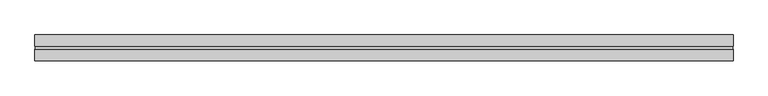
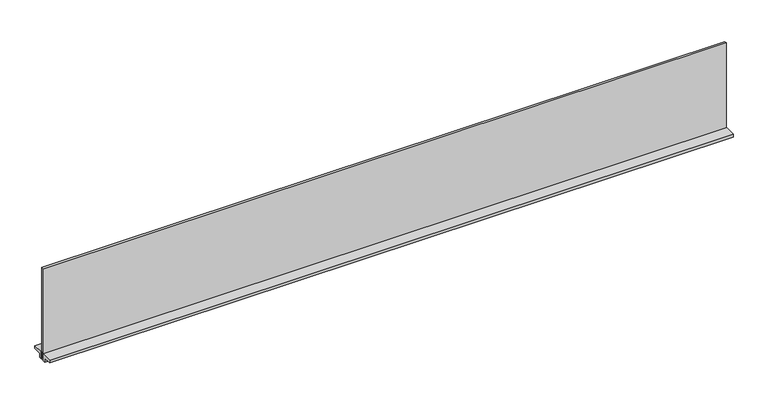
"""IFC4 building model written with IfcOpenShell, lengths in millimetres: furniture geometry."""

from ifc_helpers import new_model, si_unit, frame, origin, place, context, project, spatial, polyline, outline, extrude, source, transform, mapped, element, save


def furniture_b7bef639(model_context):
    return source(origin(), model_context, "Body", "SweptSolid", [
        extrude(outline(polyline([(12.9619352, 1048.766), (12.9619352, 1035.177), (4.8339366, 1035.177), (4.8339366, 1058.291), (39.4795359, 1058.291), (39.4795359, 1048.766), (12.9619352, 1048.766)])), frame((-1065.784, 0.0, 0.0), z_axis=(1.0, 0.0, 0.0), x_axis=(0.0, 1.0, 0.0)), (0.0, 0.0, 1.0), 2131.5680009),
        extrude(outline(polyline([(-12.9714633, 1035.177), (-12.9714633, 1048.766), (-39.4890627, 1048.766), (-39.4890627, 1058.291), (-4.8434625, 1058.291), (-4.8434625, 1035.177), (-12.9714633, 1035.177)])), frame((-1065.784, 0.0, 0.0), z_axis=(1.0, 0.0, 0.0), x_axis=(0.0, 1.0, 0.0)), (0.0, 0.0, 1.0), 2131.5680009),
        extrude(outline(polyline([(1064.387001, 3.652836), (1064.387001, -3.662364), (-1064.387, -3.662364), (-1064.387, 3.652836), (1064.387001, 3.652836)])), frame((0.0, 0.0, 1035.177), z_axis=(0.0, 0.0, 1.0), x_axis=(1.0, 0.0, 0.0)), (0.0, 0.0, 1.0), 302.514),
    ])


if __name__ == "__main__":
    model = new_model("IFC4")
    model_context = context("Model", 3, world=origin())
    ifc_project = project(units=[si_unit("LENGTHUNIT", "METRE", prefix="MILLI")], contexts=[model_context])
    site = spatial("IfcSite", under=ifc_project)
    building = spatial("IfcBuilding", under=site)
    placement = place(None, origin())
    furniture_shape = furniture_b7bef639(model_context)
    element("IfcFurniture", 1, at=placement, inside=building, context=model_context, shape_type="MappedRepresentation", body=[
        mapped(furniture_shape, transform((0.0, 0.0, 0.0), x_axis=(1.0, 0.0, 0.0), y_axis=(0.0, 1.0, 0.0), z_axis=(0.0, 0.0, 1.0))),
    ])
    save(model, "model.ifc")
